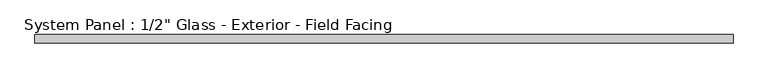
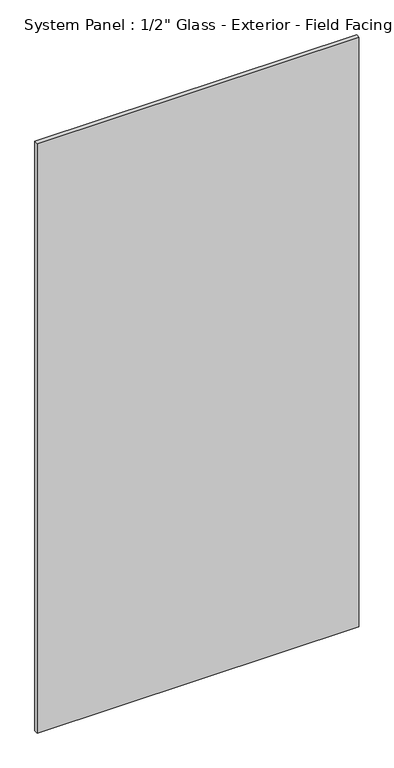
"""IFC4 building model written with IfcOpenShell, lengths in millimetres: plate geometry."""

from ifc_helpers import new_model, si_unit, origin, origin_with_axes, place, context, project, spatial, polyline, outline, extrude, source, transform, mapped, element, save


def plate_d7d9435c(model_context):
    return source(origin(), model_context, "Body", "SweptSolid", [
        extrude(outline(polyline([(573.8, -11.55), (-573.8, -11.55), (-573.8, 1.95), (573.8, 1.95), (573.8, -11.55)])), origin_with_axes(), (0.0, 0.0, 1.0), 2223.15),
    ])


if __name__ == "__main__":
    model = new_model("IFC4")
    model_context = context("Model", 3, world=origin())
    ifc_project = project(units=[si_unit("LENGTHUNIT", "METRE", prefix="MILLI")], contexts=[model_context])
    site = spatial("IfcSite", under=ifc_project)
    building = spatial("IfcBuilding", under=site)
    placement = place(None, origin())
    plate_shape = plate_d7d9435c(model_context)
    element("IfcPlate", 1, ObjectType="System Panel : 1/2\" Glass - Exterior - Field Facing", at=placement, inside=building, context=model_context, shape_type="MappedRepresentation", body=[
        mapped(plate_shape, transform((0.0, 0.0, 0.0), x_axis=(1.0, 0.0, 0.0), y_axis=(0.0, 1.0, 0.0), z_axis=(0.0, 0.0, 1.0))),
    ])
    save(model, "model.ifc")
